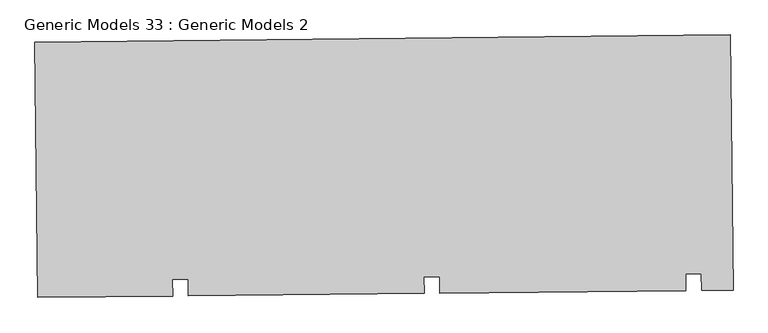
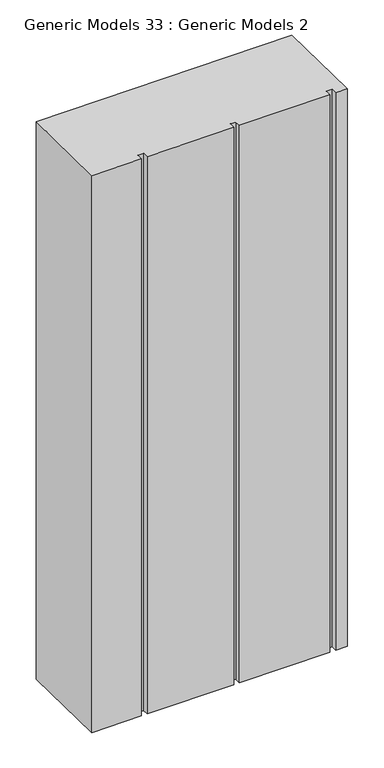
"""IFC4 building model written with IfcOpenShell, lengths in millimetres: proxy geometry, Generic Models 33 : Generic Models 2."""

from ifc_helpers import new_model, si_unit, frame, origin, place, context, project, spatial, polyline, outline, extrude, source, transform, mapped, element, save


def generic_models_33_generic_models_2_447518c1(model_context):
    return source(origin(), model_context, "Body", "SweptSolid", [
        extrude(outline(polyline([(3429.7502709, -15780.4480251), (3434.9594993, -16267.4623814), (3374.9629313, -16268.1041198), (3374.6244945, -16236.4634292), (3344.5927796, -16236.784656), (3344.9312164, -16268.4253466), (2874.9915313, -16273.4519401), (2874.6530945, -16241.8112494), (2844.6213796, -16242.1324762), (2844.9598164, -16273.7731669), (2395.0189873, -16278.5858475), (2394.6805505, -16246.9451568), (2364.6488356, -16247.2663836), (2364.9872724, -16278.9070743), (2107.4468164, -16281.661792), (2102.237588, -15794.6474357), (3429.7502709, -15780.4480251)])), frame((0.0, 0.0, 12000.0), z_axis=(0.0, 0.0, 1.0), x_axis=(1.0, 0.0, 0.0)), (0.0, 0.0, 1.0), 3044.7067261),
    ])


if __name__ == "__main__":
    model = new_model("IFC4")
    model_context = context("Model", 3, world=origin())
    ifc_project = project(units=[si_unit("LENGTHUNIT", "METRE", prefix="MILLI")], contexts=[model_context])
    site = spatial("IfcSite", under=ifc_project)
    building = spatial("IfcBuilding", under=site)
    placement = place(None, origin())
    generic_models_33_generic_models_2_shape = generic_models_33_generic_models_2_447518c1(model_context)
    element("IfcBuildingElementProxy", 1, Name="Generic Models 33 : Generic Models 2", ObjectType="Generic Models 33 : Generic Models 2", at=placement, inside=building, context=model_context, shape_type="MappedRepresentation", body=[
        mapped(generic_models_33_generic_models_2_shape, transform((0.0, 0.0, 0.0), x_axis=(1.0, 0.0, 0.0), y_axis=(0.0, 1.0, 0.0), z_axis=(0.0, 0.0, 1.0))),
    ])
    save(model, "model.ifc")
